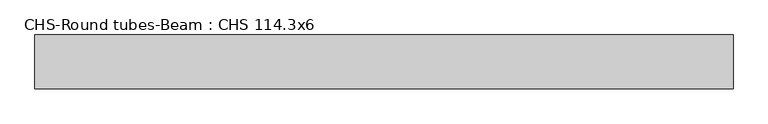
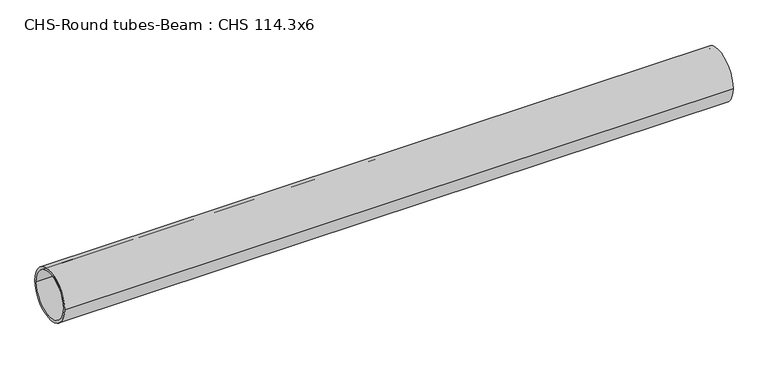
"""IFC4 building model written with IfcOpenShell, lengths in millimetres: beam geometry, CHS-Round tubes-Beam : CHS 114.3x6."""

from ifc_helpers import new_model, si_unit, point, frame, origin, origin_2d, place, context, project, spatial, circle_curve, trimmed, segment, composite_curve, outline, extrude, source, transform, mapped, element, save


def chs_round_tubes_beam_chs_114_3x6_7422dc12(model_context):
    return source(origin(), model_context, "Body", "SweptSolid", [
        extrude(outline(composite_curve([segment(trimmed(circle_curve(origin_2d(), 57.15), [point((57.15, 0.0))], [point((-57.15, 0.0))], False, "CARTESIAN"), True, "CONTINUOUS"), segment(trimmed(circle_curve(origin_2d(), 57.15), [point((-57.15, 0.0))], [point((57.15, 0.0))], False, "CARTESIAN"), True, "CONTINUOUS")], self_intersect=False), holes=[composite_curve([segment(trimmed(circle_curve(origin_2d(), 51.15), [point((51.15, 0.0))], [point((-51.15, 0.0))], True, "CARTESIAN"), True, "CONTINUOUS"), segment(trimmed(circle_curve(origin_2d(), 51.15), [point((-51.15, 0.0))], [point((51.15, 0.0))], True, "CARTESIAN"), True, "CONTINUOUS")], self_intersect=False)]), frame((-759.3973288, 0.0, 0.0), z_axis=(1.0, 0.0, 0.0), x_axis=(0.0, 1.0, 0.0)), (0.0, 0.0, 1.0), 1486.0214896),
    ])


if __name__ == "__main__":
    model = new_model("IFC4")
    model_context = context("Model", 3, world=origin())
    ifc_project = project(units=[si_unit("LENGTHUNIT", "METRE", prefix="MILLI")], contexts=[model_context])
    site = spatial("IfcSite", under=ifc_project)
    building = spatial("IfcBuilding", under=site)
    placement = place(None, origin())
    chs_round_tubes_beam_chs_114_3x6_shape = chs_round_tubes_beam_chs_114_3x6_7422dc12(model_context)
    element("IfcBeam", 1, ObjectType="CHS-Round tubes-Beam : CHS 114.3x6", at=placement, inside=building, context=model_context, shape_type="MappedRepresentation", body=[
        mapped(chs_round_tubes_beam_chs_114_3x6_shape, transform((0.0, 0.0, 0.0), x_axis=(1.0, 0.0, 0.0), y_axis=(0.0, 1.0, 0.0), z_axis=(0.0, 0.0, 1.0))),
    ])
    save(model, "model.ifc")
